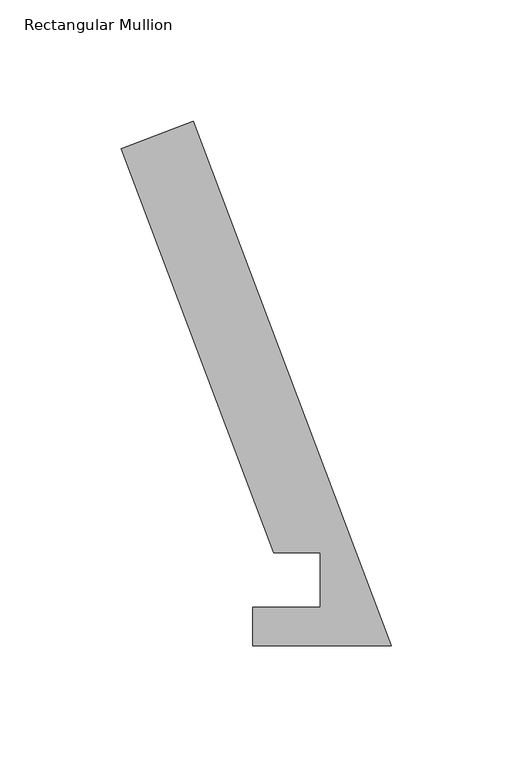
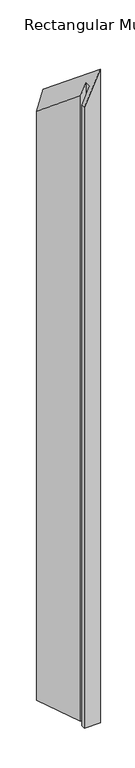
"""IFC4 building model written with IfcOpenShell, lengths in millimetres: member geometry, Rectangular Mullion."""

from ifc_helpers import new_model, si_unit, origin, place, context, project, spatial, faceted_brep, source, transform, mapped, element, save


def rectangular_mullion_27ceccd6(model_context):
    return source(origin(), model_context, "Body", "Brep", [
        faceted_brep([(-48.4216661, 38.2984375, -105.9902362), (-111.4156088, 205.0070695, -243.8777441), (-111.4156088, 205.0070695, -2486.4770821), (-48.4216661, 38.2984375, -2486.4770821), (-29.3735907, 38.2984375, -64.2958838), (-29.3735907, 38.2984375, -2486.4770821), (-29.3735907, 15.8114626, -64.2958838), (-29.3735907, 15.8114626, -2486.4770821), (-57.277, 15.8114626, -125.373686), (-57.277, 15.8114626, -2486.4770821), (-57.277, -0.0635374, -125.373686), (-57.277, -0.0635374, -2486.4770821), (0.0, -0.0635374, 0.0), (0.0, -0.0635374, -2486.4770821), (-81.7285764, 216.2248642, -178.8957675), (-81.7285764, 216.2248642, -2486.4770821)], [[[0, 1, 2, 3]], [[4, 0, 3, 5]], [[6, 4, 5, 7]], [[8, 6, 7, 9]], [[10, 8, 9, 11]], [[12, 10, 11, 13]], [[14, 12, 13, 15]], [[1, 14, 15, 2]], [[1, 0, 4, 6, 8, 10, 12, 14]], [[2, 15, 13, 11, 9, 7, 5, 3]]]),
    ])


if __name__ == "__main__":
    model = new_model("IFC4")
    model_context = context("Model", 3, world=origin())
    ifc_project = project(units=[si_unit("LENGTHUNIT", "METRE", prefix="MILLI")], contexts=[model_context])
    site = spatial("IfcSite", under=ifc_project)
    building = spatial("IfcBuilding", under=site)
    placement = place(None, origin())
    rectangular_mullion_shape = rectangular_mullion_27ceccd6(model_context)
    element("IfcMember", 1, ObjectType="Rectangular Mullion", at=placement, inside=building, context=model_context, shape_type="MappedRepresentation", body=[
        mapped(rectangular_mullion_shape, transform((0.0, 0.0, 0.0), x_axis=(1.0, 0.0, 0.0), y_axis=(0.0, 1.0, 0.0), z_axis=(0.0, 0.0, 1.0))),
    ])
    save(model, "model.ifc")
